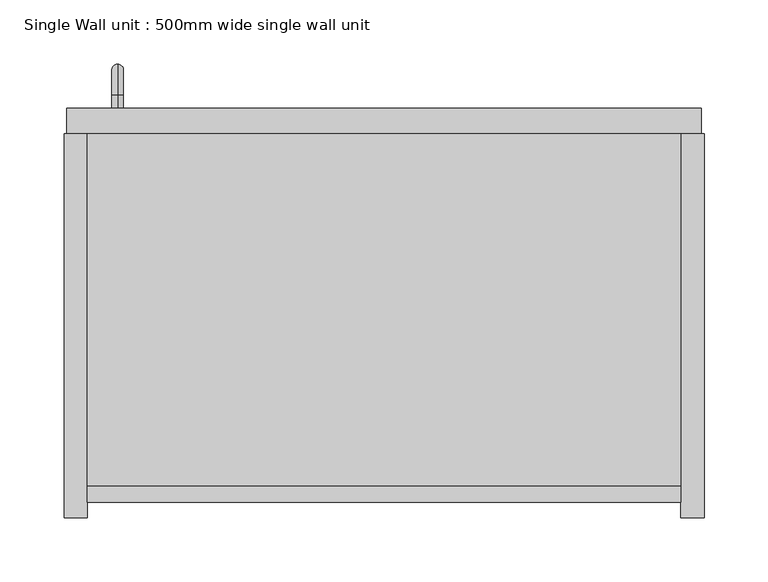
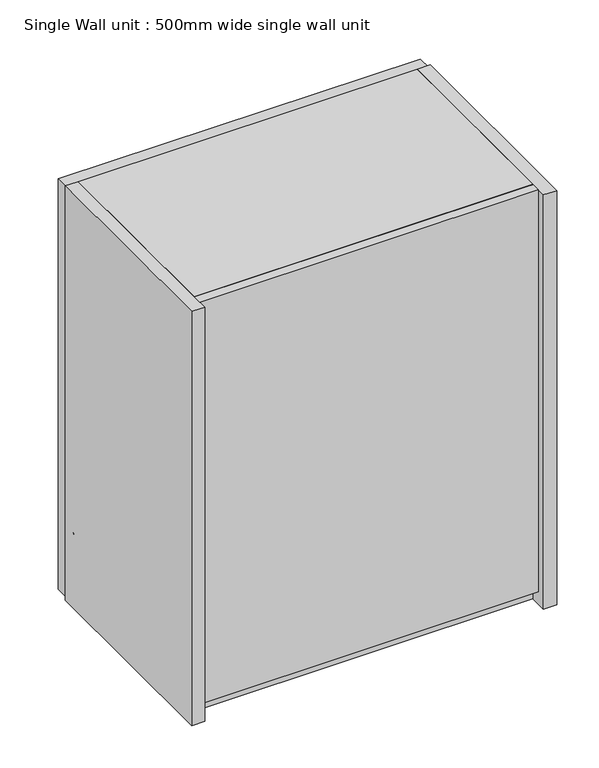
"""IFC4 building model written with IfcOpenShell, lengths in millimetres: furniture geometry, Single Wall unit : 500mm wide single wall unit."""

from ifc_helpers import new_model, si_unit, point, frame, origin, place, context, project, spatial, polyline, circle_curve, ellipse_curve, trimmed, outline, extrude, source, transform, mapped, element, save
from ifc_brep_helpers import plane_surface, cylinder_surface, revolved_surface, advanced_brep


def single_wall_unit_500mm_wide_single_wall_unit_4707e8c5(model_context):
    return source(origin(), model_context, "Body", "SolidModel", [
        advanced_brep(
        [(166.875, 320.4, 1674.5), (166.875, 320.4, 1665.5), (166.875, 330.4, 1674.5), (166.875, 330.4, 1665.5), (166.875, 345.9, 1650.0), (166.875, 354.9, 1650.0), (166.875, 354.9, 1570.0), (166.875, 345.9, 1570.0), (166.875, 330.4, 1554.5), (166.875, 330.4, 1545.5), (166.875, 320.4, 1545.5), (166.875, 320.4, 1554.5)],
        [
            (0, 1, circle_curve(frame((166.875, 320.4, 1670.0), z_axis=(0.0, -1.0, 0.0), x_axis=(0.0, 0.0, -1.0)), 4.5)),
            (1, 0, circle_curve(frame((166.875, 320.4, 1670.0), z_axis=(0.0, -1.0, 0.0), x_axis=(0.0, 0.0, -1.0)), 4.5)),
            (0, 2),
            (2, 3, circle_curve(frame((166.875, 330.4, 1670.0), z_axis=(0.0, -1.0, 0.0), x_axis=(0.0, 0.0, -1.0)), 4.5)),
            (3, 1),
            (3, 2, circle_curve(frame((166.875, 330.4, 1670.0), z_axis=(0.0, -1.0, 0.0), x_axis=(0.0, 0.0, -1.0)), 4.5)),
            (4, 3, circle_curve(frame((166.875, 330.4, 1650.0), z_axis=(1.0, 0.0, 0.0), x_axis=(0.0, 0.0, 1.0)), 15.5)),
            (2, 5, circle_curve(frame((166.875, 330.4, 1650.0), z_axis=(-1.0, 0.0, 0.0), x_axis=(0.0, 0.0, 1.0)), 24.5)),
            (5, 4, circle_curve(frame((166.875, 350.4, 1650.0), z_axis=(0.0, 0.0, 1.0), x_axis=(0.0, -1.0, 0.0)), 4.5)),
            (4, 5, circle_curve(frame((166.875, 350.4, 1650.0), z_axis=(0.0, 0.0, 1.0), x_axis=(0.0, -1.0, 0.0)), 4.5)),
            (5, 6),
            (6, 7, circle_curve(frame((166.875, 350.4, 1570.0), z_axis=(0.0, 0.0, 1.0), x_axis=(0.0, -1.0, 0.0)), 4.5)),
            (7, 4),
            (7, 6, circle_curve(frame((166.875, 350.4, 1570.0), z_axis=(0.0, 0.0, 1.0), x_axis=(0.0, -1.0, 0.0)), 4.5)),
            (8, 7, circle_curve(frame((166.875, 330.4, 1570.0), z_axis=(1.0, 0.0, 0.0), x_axis=(0.0, 1.0, 0.0)), 15.5)),
            (6, 9, circle_curve(frame((166.875, 330.4, 1570.0), z_axis=(-1.0, 0.0, 0.0), x_axis=(0.0, 1.0, 0.0)), 24.5)),
            (9, 8, circle_curve(frame((166.875, 330.4, 1550.0), z_axis=(0.0, 1.0, 0.0), x_axis=(0.0, 0.0, 1.0)), 4.5)),
            (8, 9, circle_curve(frame((166.875, 330.4, 1550.0), z_axis=(0.0, 1.0, 0.0), x_axis=(0.0, 0.0, 1.0)), 4.5)),
            (10, 11, circle_curve(frame((166.875, 320.4, 1550.0), z_axis=(0.0, -1.0, 0.0), x_axis=(0.0, 0.0, 1.0)), 4.5)),
            (11, 10, circle_curve(frame((166.875, 320.4, 1550.0), z_axis=(0.0, -1.0, 0.0), x_axis=(0.0, 0.0, 1.0)), 4.5)),
            (9, 10),
            (11, 8),
        ],
        [
            plane_surface(frame((166.875, 320.4, 1670.0), z_axis=(0.0, -1.0, 0.0), x_axis=(-1.0, 0.0, 0.0))),
            cylinder_surface(frame((166.875, 320.4, 1670.0), z_axis=(0.0, -1.0, 0.0), x_axis=(0.0, 0.0, -1.0)), 4.5),
            revolved_surface(trimmed(ellipse_curve(frame((166.875, 330.4, 1670.0), z_axis=(0.0, -1.0, 0.0), x_axis=(0.0, 0.0, -1.0)), 4.5, 4.5), [point((166.875, 330.4, 1674.5))], [point((166.875, 330.4, 1665.5))], True, "CARTESIAN"), (166.875, 330.4, 1650.0), (-1.0, 0.0, 0.0)),
            revolved_surface(trimmed(ellipse_curve(frame((166.875, 330.4, 1670.0), z_axis=(0.0, -1.0, 0.0), x_axis=(0.0, 0.0, -1.0)), 4.5, 4.5), [point((166.875, 330.4, 1665.5))], [point((166.875, 330.4, 1674.5))], True, "CARTESIAN"), (166.875, 330.4, 1650.0), (-1.0, 0.0, 0.0)),
            cylinder_surface(frame((166.875, 350.4, 1650.0), z_axis=(0.0, 0.0, 1.0), x_axis=(0.0, -1.0, 0.0)), 4.5),
            revolved_surface(trimmed(ellipse_curve(frame((166.875, 350.4, 1570.0), z_axis=(0.0, 0.0, 1.0), x_axis=(0.0, -1.0, 0.0)), 4.5, 4.5), [point((166.875, 354.9, 1570.0))], [point((166.875, 345.9, 1570.0))], True, "CARTESIAN"), (166.875, 330.4, 1570.0), (-1.0, 0.0, 0.0)),
            revolved_surface(trimmed(ellipse_curve(frame((166.875, 350.4, 1570.0), z_axis=(0.0, 0.0, 1.0), x_axis=(0.0, -1.0, 0.0)), 4.5, 4.5), [point((166.875, 345.9, 1570.0))], [point((166.875, 354.9, 1570.0))], True, "CARTESIAN"), (166.875, 330.4, 1570.0), (-1.0, 0.0, 0.0)),
            plane_surface(frame((166.875, 320.4, 1550.0), z_axis=(0.0, -1.0, 0.0), x_axis=(-1.0, 0.0, 0.0))),
            cylinder_surface(frame((166.875, 330.4, 1550.0), z_axis=(0.0, 1.0, 0.0), x_axis=(0.0, 0.0, 1.0)), 4.5),
        ],
        [
            (0, [[1, 2]]),
            (1, [[-1, 3, 4, 5]]),
            (1, [[-2, -5, 6, -3]]),
            (2, [[7, -4, 8, 9]]),
            (3, [[-8, -6, -7, 10]]),
            (4, [[-9, 11, 12, 13]]),
            (4, [[-10, -13, 14, -11]]),
            (5, [[15, -12, 16, 17]]),
            (6, [[-16, -14, -15, 18]]),
            (7, [[19, 20]]),
            (8, [[-17, 21, -20, 22]]),
            (8, [[-18, -22, -19, -21]]),
        ],
    ),
        extrude(outline(polyline([(607.0, 25.4), (143.0, 25.4), (143.0, 300.4), (607.0, 300.4), (607.0, 25.4)])), frame((0.0, 0.0, 1500.0), z_axis=(0.0, 0.0, 1.0), x_axis=(1.0, 0.0, 0.0)), (0.0, 0.0, 1.0), 18.0),
        extrude(outline(polyline([(607.0, 25.4), (143.0, 25.4), (143.0, 300.4), (607.0, 300.4), (607.0, 25.4)])), frame((0.0, 0.0, 2082.0), z_axis=(0.0, 0.0, 1.0), x_axis=(1.0, 0.0, 0.0)), (0.0, 0.0, 1.0), 18.0),
        extrude(outline(polyline([(623.0, 320.4), (623.0, 300.4), (127.0, 300.4), (127.0, 320.4), (623.0, 320.4)])), frame((0.0, 0.0, 1502.8302988), z_axis=(0.0, 0.0, 1.0), x_axis=(1.0, 0.0, 0.0)), (0.0, 0.0, 1.0), 594.3276989),
        extrude(outline(polyline([(607.0, 25.4), (607.0, 12.4), (143.0, 12.4), (143.0, 25.4), (607.0, 25.4)])), frame((0.0, 0.0, 1518.0), z_axis=(0.0, 0.0, 1.0), x_axis=(1.0, 0.0, 0.0)), (0.0, 0.0, 1.0), 582.0),
        extrude(outline(polyline([(143.0, 0.4), (125.0, 0.4), (125.0, 300.4), (143.0, 300.4), (143.0, 0.4)])), frame((0.0, 0.0, 1500.0), z_axis=(0.0, 0.0, 1.0), x_axis=(1.0, 0.0, 0.0)), (0.0, 0.0, 1.0), 600.0),
        extrude(outline(polyline([(625.0, 0.4), (607.0, 0.4), (607.0, 300.4), (625.0, 300.4), (625.0, 0.4)])), frame((0.0, 0.0, 1500.0), z_axis=(0.0, 0.0, 1.0), x_axis=(1.0, 0.0, 0.0)), (0.0, 0.0, 1.0), 600.0),
    ])


if __name__ == "__main__":
    model = new_model("IFC4")
    model_context = context("Model", 3, world=origin())
    ifc_project = project(units=[si_unit("LENGTHUNIT", "METRE", prefix="MILLI")], contexts=[model_context])
    site = spatial("IfcSite", under=ifc_project)
    building = spatial("IfcBuilding", under=site)
    placement = place(None, origin())
    single_wall_unit_500mm_wide_single_wall_unit_shape = single_wall_unit_500mm_wide_single_wall_unit_4707e8c5(model_context)
    element("IfcFurniture", 1, ObjectType="Single Wall unit : 500mm wide single wall unit", at=placement, inside=building, context=model_context, shape_type="MappedRepresentation", body=[
        mapped(single_wall_unit_500mm_wide_single_wall_unit_shape, transform((0.0, 0.0, 0.0), x_axis=(1.0, 0.0, 0.0), y_axis=(0.0, 1.0, 0.0), z_axis=(0.0, 0.0, 1.0))),
    ])
    save(model, "model.ifc")
